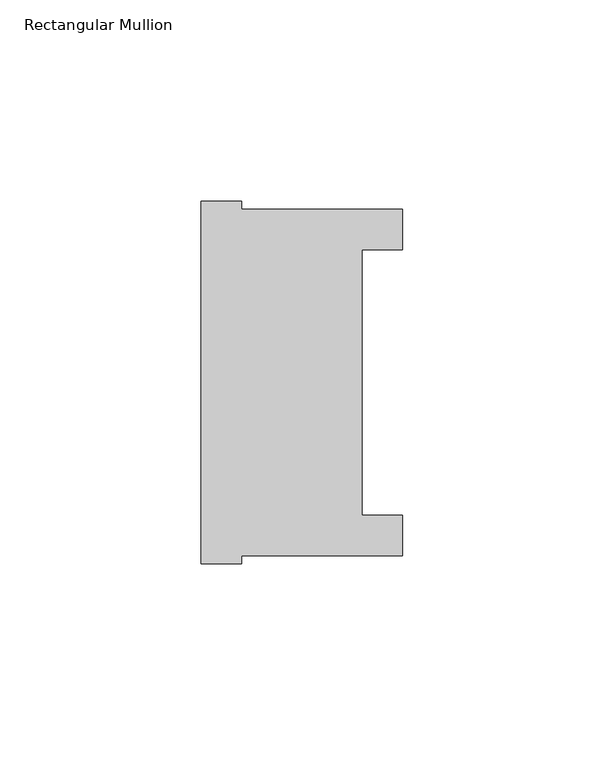
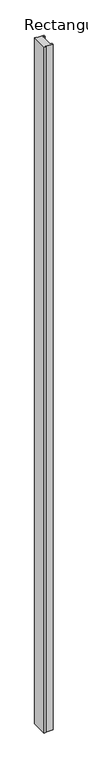
"""IFC4 building model written with IfcOpenShell, lengths in millimetres: member geometry, Rectangular Mullion."""

from ifc_helpers import new_model, si_unit, frame, origin, place, context, project, spatial, polyline, outline, extrude, source, transform, mapped, element, save


def rectangular_mullion_649b69be(model_context):
    return source(origin(), model_context, "Body", "SweptSolid", [
        extrude(outline(polyline([(-50.0, -44.8550798), (-50.0, 45.1449202), (-40.0, 45.1449202), (-40.0, 43.1449202), (0.0, 43.1449202), (0.0, 33.1449202), (-10.0, 33.1449202), (-10.0, -32.8550798), (0.0, -32.8550798), (0.0, -42.8550798), (-40.0, -42.8550798), (-40.0, -44.8550798), (-50.0, -44.8550798)])), frame((0.0, 0.0, -4000.0), z_axis=(0.0, 0.0, 1.0), x_axis=(1.0, 0.0, 0.0)), (0.0, 0.0, 1.0), 4000.0),
    ])


if __name__ == "__main__":
    model = new_model("IFC4")
    model_context = context("Model", 3, world=origin())
    ifc_project = project(units=[si_unit("LENGTHUNIT", "METRE", prefix="MILLI")], contexts=[model_context])
    site = spatial("IfcSite", under=ifc_project)
    building = spatial("IfcBuilding", under=site)
    placement = place(None, origin())
    rectangular_mullion_shape = rectangular_mullion_649b69be(model_context)
    element("IfcMember", 1, ObjectType="Rectangular Mullion", at=placement, inside=building, context=model_context, shape_type="MappedRepresentation", body=[
        mapped(rectangular_mullion_shape, transform((0.0, 0.0, 0.0), x_axis=(1.0, 0.0, 0.0), y_axis=(0.0, 1.0, 0.0), z_axis=(0.0, 0.0, 1.0))),
    ])
    save(model, "model.ifc")
